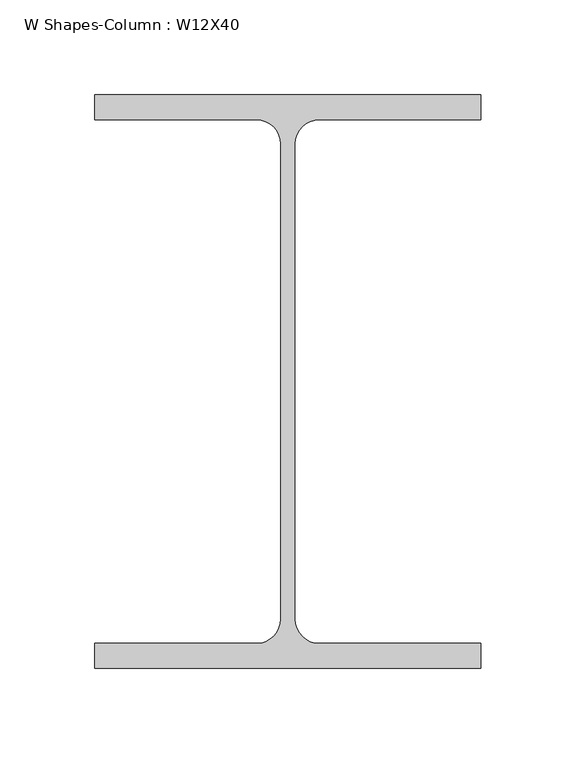
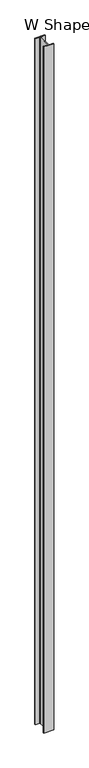
"""IFC4 building model written with IfcOpenShell, lengths in millimetres: column geometry, W Shapes-Column : W12X40."""

from ifc_helpers import new_model, si_unit, point, frame_2d, origin, origin_with_axes, place, context, project, spatial, polyline, circle_curve, trimmed, segment, composite_curve, outline, extrude, source, transform, mapped, element, save


def w_shapes_column_w12x40_5997714e(model_context):
    return source(origin(), model_context, "Body", "SweptSolid", [
        extrude(outline(composite_curve([segment(polyline([(101.727, 151.13), (101.727, 138.049), (16.5735, 138.049)]), True, "CONTINUOUS"), segment(trimmed(circle_curve(frame_2d((16.5735, 125.222)), 12.827), [point((16.5735, 138.049))], [point((3.7465, 125.222))], True, "CARTESIAN"), True, "CONTINUOUS"), segment(polyline([(3.7465, 125.222), (3.7465, -125.222)]), True, "CONTINUOUS"), segment(trimmed(circle_curve(frame_2d((16.5735, -125.222)), 12.827), [point((3.7465, -125.222))], [point((16.5735, -138.049))], True, "CARTESIAN"), True, "CONTINUOUS"), segment(polyline([(16.5735, -138.049), (101.727, -138.049), (101.727, -151.13), (-101.727, -151.13), (-101.727, -138.049), (-16.5735, -138.049)]), True, "CONTINUOUS"), segment(trimmed(circle_curve(frame_2d((-16.5735, -125.222)), 12.827), [point((-16.5735, -138.049))], [point((-3.7465, -125.222))], True, "CARTESIAN"), True, "CONTINUOUS"), segment(polyline([(-3.7465, -125.222), (-3.7465, 125.222)]), True, "CONTINUOUS"), segment(trimmed(circle_curve(frame_2d((-16.5735, 125.222)), 12.827), [point((-3.7465, 125.222))], [point((-16.5735, 138.049))], True, "CARTESIAN"), True, "CONTINUOUS"), segment(polyline([(-16.5735, 138.049), (-101.727, 138.049), (-101.727, 151.13), (101.727, 151.13)]), True, "CONTINUOUS")], self_intersect=False)), origin_with_axes(), (0.0, 0.0, 1.0), 14630.4),
    ])


if __name__ == "__main__":
    model = new_model("IFC4")
    model_context = context("Model", 3, world=origin())
    ifc_project = project(units=[si_unit("LENGTHUNIT", "METRE", prefix="MILLI")], contexts=[model_context])
    site = spatial("IfcSite", under=ifc_project)
    building = spatial("IfcBuilding", under=site)
    placement = place(None, origin())
    w_shapes_column_w12x40_shape = w_shapes_column_w12x40_5997714e(model_context)
    element("IfcColumn", 1, ObjectType="W Shapes-Column : W12X40", at=placement, inside=building, context=model_context, shape_type="MappedRepresentation", body=[
        mapped(w_shapes_column_w12x40_shape, transform((0.0, 0.0, 0.0), x_axis=(1.0, 0.0, 0.0), y_axis=(0.0, 1.0, 0.0), z_axis=(0.0, 0.0, 1.0))),
    ])
    save(model, "model.ifc")
